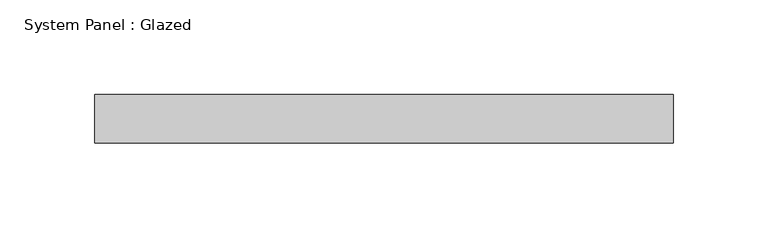
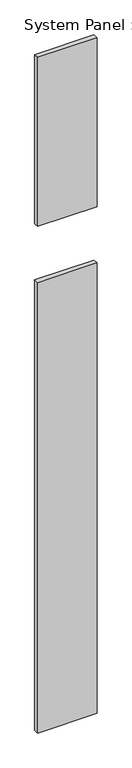
"""IFC4 building model written with IfcOpenShell, lengths in millimetres: plate geometry, System Panel : Glazed."""

from ifc_helpers import new_model, si_unit, frame, origin, origin_with_axes, place, context, project, spatial, polyline, outline, extrude, source, transform, mapped, element, save


def system_panel_glazed_f867d1ed(model_context):
    return source(origin(), model_context, "Body", "SweptSolid", [
        extrude(outline(polyline([(152.3999998, 19.05), (-152.3999998, 19.05), (-152.3999998, 44.45), (152.3999998, 44.45), (152.3999998, 19.05)])), frame((0.0, 0.0, 2743.2), z_axis=(0.0, 0.0, 1.0), x_axis=(1.0, 0.0, 0.0)), (0.0, 0.0, 1.0), 914.4),
        extrude(outline(polyline([(152.3999998, 19.05), (-152.3999998, 19.05), (-152.3999998, 44.45), (152.3999998, 44.45), (152.3999998, 19.05)])), origin_with_axes(), (0.0, 0.0, 1.0), 2438.4),
    ])


if __name__ == "__main__":
    model = new_model("IFC4")
    model_context = context("Model", 3, world=origin())
    ifc_project = project(units=[si_unit("LENGTHUNIT", "METRE", prefix="MILLI")], contexts=[model_context])
    site = spatial("IfcSite", under=ifc_project)
    building = spatial("IfcBuilding", under=site)
    placement = place(None, origin())
    system_panel_glazed_shape = system_panel_glazed_f867d1ed(model_context)
    element("IfcPlate", 1, ObjectType="System Panel : Glazed", at=placement, inside=building, context=model_context, shape_type="MappedRepresentation", body=[
        mapped(system_panel_glazed_shape, transform((0.0, 0.0, 0.0), x_axis=(1.0, 0.0, 0.0), y_axis=(0.0, 1.0, 0.0), z_axis=(0.0, 0.0, 1.0))),
    ])
    save(model, "model.ifc")
